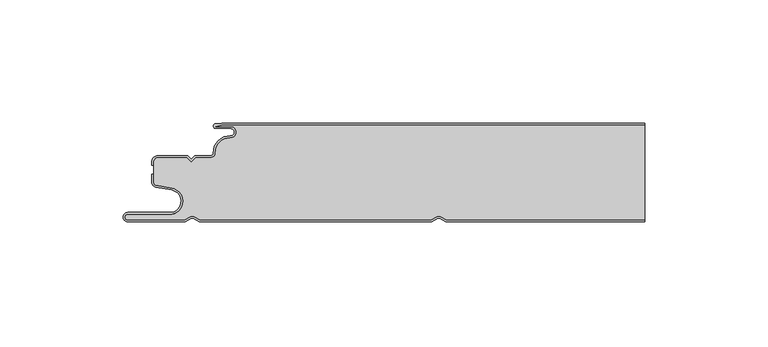
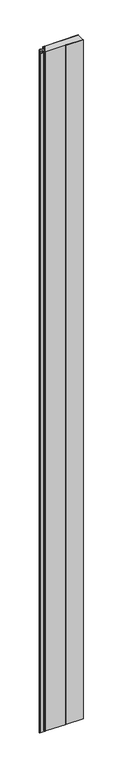
"""IFC4 building model written with IfcOpenShell, lengths in millimetres: plate geometry."""

from ifc_helpers import new_model, si_unit, point, frame, frame_2d, origin, origin_with_axes, place, context, project, spatial, polyline, circle_curve, trimmed, segment, composite_curve, outline, extrude, source, transform, mapped, element, save
from ifc_brep_helpers import plane_surface, cylinder_surface, revolved_surface, advanced_brep


def plate_d9d1bc08(model_context):
    return source(origin(), model_context, "Body", "SolidModel", [
        advanced_brep(
        [(-71.6637731, -0.8, 3500.0), (-74.0000003, -1.3234618, 3500.0), (-68.0000003, -1.3234618, 3500.0), (-68.1134423, -5.9206625, 3500.0), (-74.1919837, -12.028303, 3500.0), (-76.0000003, -13.9234618, 3500.0), (-82.1686293, -13.9234618, 3500.0), (-84.0000002, -15.7548327, 3500.0), (-85.831371, -13.9234618, 3500.0), (-97.4, -13.9234618, 3500.0), (-99.2, -15.7234618, 3500.0), (-99.2, -24.0038437, 3500.0), (-98.2083778, -25.185613, 3500.0), (-91.7622998, -26.3222305, 3500.0), (-92.7, -37.0401924, 3500.0), (-109.7, -37.0401924, 3500.0), (-109.7, -39.2401924, 3500.0), (-86.6751286, -39.2401924, 3500.0), (-84.45, -37.9555137, 3500.0), (-82.7606357, -37.9494241, 3500.0), (-80.4557934, -39.2, 3500.0), (13.3944866, -39.2, 3500.0), (15.55, -37.9555137, 3500.0), (17.2393643, -37.9494241, 3500.0), (19.5442066, -39.2, 3500.0), (100.0, -39.2, 3500.0), (100.0, -0.8, 3500.0), (19.5442066, -39.2, 0.0), (17.2393643, -37.9494241, 0.0), (15.55, -37.9555137, 0.0), (13.3944866, -39.2, 0.0), (-80.4557934, -39.2, 0.0), (-82.7606357, -37.9494241, 0.0), (-84.45, -37.9555137, 0.0), (-86.6751286, -39.2401924, 0.0), (-109.7, -39.2401924, 0.0), (-109.7, -37.0401924, 0.0), (-92.7, -37.0401924, 0.0), (-91.7622998, -26.3222305, 0.0), (-98.2083778, -25.185613, 0.0), (-99.2, -24.0038437, 0.0), (-99.2, -15.7234618, 0.0), (-97.4, -13.9234618, 0.0), (-85.831371, -13.9234618, 0.0), (-84.0000002, -15.7548327, 0.0), (-82.1686293, -13.9234618, 0.0), (-76.0000003, -13.9234618, 0.0), (-74.2024882, -12.0288559, 0.0), (-68.1139291, -5.930521, 0.0), (-68.0000003, -1.3234618, 0.0), (-74.0000003, -1.3234618, 0.0), (-71.6637731, -0.8, 0.0), (100.0, -0.8, 0.0), (100.0, -39.2, 0.0)],
        [
            (0, 1),
            (1, 2),
            (2, 3, circle_curve(frame((-68.0000003, -3.6234618, 3500.0), z_axis=(0.0, 0.0, -1.0), x_axis=(1.0, 0.0, 0.0)), 2.3)),
            (3, 4, circle_curve(frame((-68.4000003, -11.7234618, 3500.0), z_axis=(0.0, 0.0, 1.0), x_axis=(1.0, 0.0, 0.0)), 5.8)),
            (4, 5, circle_curve(frame((-76.0000003, -12.1234618, 3500.0), z_axis=(0.0, 0.0, -1.0), x_axis=(1.0, 0.0, 0.0)), 1.8)),
            (5, 6),
            (6, 7),
            (7, 8),
            (8, 9),
            (9, 10, circle_curve(frame((-97.4, -15.7234618, 3500.0), z_axis=(0.0, 0.0, 1.0), x_axis=(1.0, 0.0, 0.0)), 1.8)),
            (10, 11),
            (11, 12, circle_curve(frame((-98.0, -24.0038437, 3500.0), z_axis=(0.0, 0.0, 1.0), x_axis=(1.0, 0.0, 0.0)), 1.2)),
            (12, 13),
            (13, 14, circle_curve(frame((-92.7, -31.6401924, 3500.0), z_axis=(0.0, 0.0, -1.0), x_axis=(1.0, 0.0, 0.0)), 5.4)),
            (14, 15),
            (15, 16, circle_curve(frame((-109.7, -38.1401924, 3500.0), z_axis=(0.0, 0.0, 1.0), x_axis=(1.0, 0.0, 0.0)), 1.1)),
            (16, 17),
            (17, 18),
            (18, 19, circle_curve(frame((-83.6, -39.4277569, 3500.0), z_axis=(0.0, 0.0, -1.0), x_axis=(1.0, 0.0, 0.0)), 1.7)),
            (19, 20),
            (20, 21),
            (21, 22),
            (22, 23, circle_curve(frame((16.4, -39.4277569, 3500.0), z_axis=(0.0, 0.0, -1.0), x_axis=(1.0, 0.0, 0.0)), 1.7)),
            (23, 24),
            (24, 25),
            (25, 26),
            (26, 0),
            (27, 28),
            (28, 29, circle_curve(frame((16.4, -39.4277569, 0.0), z_axis=(0.0, 0.0, 1.0), x_axis=(1.0, 0.0, 0.0)), 1.7)),
            (29, 30),
            (30, 31),
            (31, 32),
            (32, 33, circle_curve(frame((-83.6, -39.4277569, 0.0), z_axis=(0.0, 0.0, 1.0), x_axis=(1.0, 0.0, 0.0)), 1.7)),
            (33, 34),
            (34, 35),
            (35, 36, circle_curve(frame((-109.7, -38.1401924, 0.0), z_axis=(0.0, 0.0, -1.0), x_axis=(1.0, 0.0, 0.0)), 1.1)),
            (36, 37),
            (37, 38, circle_curve(frame((-92.7, -31.6401924, 0.0), z_axis=(0.0, 0.0, 1.0), x_axis=(1.0, 0.0, 0.0)), 5.4)),
            (38, 39),
            (39, 40, circle_curve(frame((-98.0, -24.0038437, 0.0), z_axis=(0.0, 0.0, -1.0), x_axis=(1.0, 0.0, 0.0)), 1.2)),
            (40, 41),
            (41, 42, circle_curve(frame((-97.4, -15.7234618, 0.0), z_axis=(0.0, 0.0, -1.0), x_axis=(1.0, 0.0, 0.0)), 1.8)),
            (42, 43),
            (43, 44),
            (44, 45),
            (45, 46),
            (46, 47, circle_curve(frame((-76.0000003, -12.1234618, 0.0), z_axis=(0.0, 0.0, 1.0), x_axis=(1.0, 0.0, 0.0)), 1.8)),
            (47, 48, circle_curve(frame((-68.4000003, -11.7234618, 0.0), z_axis=(0.0, 0.0, -1.0), x_axis=(1.0, 0.0, 0.0)), 5.8)),
            (48, 49, circle_curve(frame((-68.0000003, -3.6234618, 0.0), z_axis=(0.0, 0.0, 1.0), x_axis=(1.0, 0.0, 0.0)), 2.3)),
            (49, 50),
            (50, 51),
            (51, 52),
            (52, 53),
            (53, 27),
            (51, 0),
            (26, 52),
            (50, 1),
            (49, 2),
            (48, 3),
            (47, 4),
            (46, 5),
            (45, 6),
            (44, 7),
            (43, 8),
            (42, 9),
            (41, 10),
            (40, 11),
            (39, 12),
            (38, 13),
            (37, 14),
            (36, 15),
            (35, 16),
            (34, 17),
            (33, 18),
            (32, 19),
            (31, 20),
            (30, 21),
            (29, 22),
            (28, 23),
            (27, 24),
            (53, 25),
        ],
        [
            plane_surface(frame((-100.0, -40.0, 3500.0), z_axis=(0.0, 0.0, 1.0), x_axis=(0.0, 1.0, 0.0))),
            plane_surface(frame((-100.0, -40.0, 0.0), z_axis=(0.0, 0.0, -1.0), x_axis=(0.0, 1.0, 0.0))),
            plane_surface(frame((922.5460884, -0.8, 3500.0), z_axis=(0.0, 1.0, 0.0), x_axis=(0.0, 0.0, -1.0))),
            plane_surface(frame((-71.6637731, -0.8, 3500.0), z_axis=(-0.2186417328283014, 0.9758052022129405, 0.0), x_axis=(0.0, 0.0, -1.0))),
            plane_surface(frame((-74.0000003, -1.3234618, 3500.0), z_axis=(0.0, -1.0, 0.0), x_axis=(0.0, 0.0, -1.0))),
            revolved_surface(polyline([(-65.7000003, -3.6234618, 0.0), (-65.7000003, -3.6234618, 3500.0)]), (-68.0000003, -3.6234618, 3500.0), (0.0, 0.0, -1.0)),
            cylinder_surface(frame((-68.4000003, -11.7234618, 3500.0), z_axis=(0.0, 0.0, 1.0), x_axis=(1.0, 0.0, 0.0)), 5.8),
            revolved_surface(polyline([(-74.2000003, -12.1234618, 0.0), (-74.2000003, -12.1234618, 3500.0)]), (-76.0000003, -12.1234618, 3500.0), (0.0, 0.0, -1.0)),
            plane_surface(frame((-76.0000003, -13.9234618, 3500.0), z_axis=(0.0, 1.0, 0.0), x_axis=(0.0, 0.0, -1.0))),
            plane_surface(frame((-82.1686293, -13.9234618, 3500.0), z_axis=(-0.707106781023168, 0.7071067813499271, 0.0), x_axis=(0.0, 0.0, -1.0))),
            plane_surface(frame((-84.0000002, -15.7548327, 3500.0), z_axis=(0.7071067813499271, 0.7071067810231679, 0.0), x_axis=(0.0, 0.0, -1.0))),
            plane_surface(frame((-85.831371, -13.9234618, 3500.0), z_axis=(0.0, 1.0, 0.0), x_axis=(0.0, 0.0, -1.0))),
            cylinder_surface(frame((-97.4, -15.7234618, 3500.0), z_axis=(0.0, 0.0, 1.0), x_axis=(1.0, 0.0, 0.0)), 1.8),
            plane_surface(frame((-99.2, -17.1226667, 3500.0), z_axis=(-1.0, 0.0, 0.0), x_axis=(0.0, 0.0, -1.0))),
            cylinder_surface(frame((-98.0, -24.0038437, 3500.0), z_axis=(0.0, 0.0, 1.0), x_axis=(1.0, 0.0, 0.0)), 1.2),
            plane_surface(frame((-98.2083778, -25.185613, 3500.0), z_axis=(-0.1736481776669248, -0.984807753012209, 0.0), x_axis=(0.0, 0.0, -1.0))),
            revolved_surface(polyline([(-87.3, -31.6401924, 0.0), (-87.3, -31.6401924, 3500.0)]), (-92.7, -31.6401924, 3500.0), (0.0, 0.0, -1.0)),
            plane_surface(frame((-92.7, -37.0401924, 3500.0), z_axis=(0.0, 1.0, 0.0), x_axis=(0.0, 0.0, -1.0))),
            cylinder_surface(frame((-109.7, -38.1401924, 3500.0), z_axis=(0.0, 0.0, 1.0), x_axis=(1.0, 0.0, 0.0)), 1.1),
            plane_surface(frame((-109.7, -39.2401924, 3500.0), z_axis=(0.0, -1.0, 0.0), x_axis=(0.0, 0.0, -1.0))),
            plane_surface(frame((-86.6751286, -39.2401924, 3500.0), z_axis=(0.5000000299311667, -0.8660253865036709, 0.0), x_axis=(0.0, 0.0, -1.0))),
            revolved_surface(polyline([(-81.89999999999999, -39.4277569, 0.0), (-81.89999999999999, -39.4277569, 3500.0)]), (-83.6, -39.4277569, 3500.0), (0.0, 0.0, -1.0)),
            plane_surface(frame((-82.7606357, -37.9494241, 3500.0), z_axis=(-0.47690797328217005, -0.878953232555574, 0.0), x_axis=(0.0, 0.0, -1.0))),
            plane_surface(frame((-80.4557934, -39.2, 3500.0), z_axis=(0.0, -1.0, 0.0), x_axis=(0.0, 0.0, -1.0))),
            plane_surface(frame((13.3944866, -39.2, 3500.0), z_axis=(0.5000000299307237, -0.8660253865039267, 0.0), x_axis=(0.0, 0.0, -1.0))),
            revolved_surface(polyline([(18.099999999999998, -39.4277569, 0.0), (18.099999999999998, -39.4277569, 3500.0)]), (16.4, -39.4277569, 3500.0), (0.0, 0.0, -1.0)),
            plane_surface(frame((17.2393643, -37.9494241, 3500.0), z_axis=(-0.4769079732821666, -0.8789532325555759, 0.0), x_axis=(0.0, 0.0, -1.0))),
            plane_surface(frame((19.5442066, -39.2, 3500.0), z_axis=(0.0, -1.0, 0.0), x_axis=(0.0, 0.0, -1.0))),
            plane_surface(frame((100.0, 0.0, 3500.0), z_axis=(1.0, 0.0, 0.0), x_axis=(0.0, 0.0, -1.0))),
        ],
        [
            (0, [[1, 2, 3, 4, 5, 6, 7, 8, 9, 10, 11, 12, 13, 14, 15, 16, 17, 18, 19, 20, 21, 22, 23, 24, 25, 26, 27]]),
            (1, [[28, 29, 30, 31, 32, 33, 34, 35, 36, 37, 38, 39, 40, 41, 42, 43, 44, 45, 46, 47, 48, 49, 50, 51, 52, 53, 54]]),
            (2, [[55, -27, 56, -52]]),
            (3, [[-1, -55, -51, 57]]),
            (4, [[-2, -57, -50, 58]]),
            (5, [[-3, -58, -49, 59]]),
            (6, [[-4, -59, -48, 60]]),
            (7, [[-5, -60, -47, 61]]),
            (8, [[-6, -61, -46, 62]]),
            (9, [[-7, -62, -45, 63]]),
            (10, [[-8, -63, -44, 64]]),
            (11, [[-9, -64, -43, 65]]),
            (12, [[-10, -65, -42, 66]]),
            (13, [[-11, -66, -41, 67]]),
            (14, [[-12, -67, -40, 68]]),
            (15, [[-13, -68, -39, 69]]),
            (16, [[-14, -69, -38, 70]]),
            (17, [[-15, -70, -37, 71]]),
            (18, [[-16, -71, -36, 72]]),
            (19, [[-17, -72, -35, 73]]),
            (20, [[-18, -73, -34, 74]]),
            (21, [[-19, -74, -33, 75]]),
            (22, [[-20, -75, -32, 76]]),
            (23, [[-21, -76, -31, 77]]),
            (24, [[-22, -77, -30, 78]]),
            (25, [[-23, -78, -29, 79]]),
            (26, [[-24, -79, -28, 80]]),
            (27, [[-80, -54, 81, -25]]),
            (28, [[-26, -81, -53, -56]]),
        ],
    ),
        extrude(outline(composite_curve([segment(trimmed(circle_curve(frame_2d((-98.0, -23.9636514)), 2.0), [point((-98.3472964, -25.9332669))], [point((-100.0, -23.9636514))], False, "CARTESIAN"), True, "CONTINUOUS"), segment(polyline([(-100.0, -23.9636514), (-100.0, -20.6), (-99.2, -20.6), (-99.2, -23.9636514)]), True, "CONTINUOUS"), segment(trimmed(circle_curve(frame_2d((-98.0, -23.9636514)), 1.2), [point((-99.2, -23.9636514))], [point((-98.2083778, -25.1454207))], True, "CARTESIAN"), True, "CONTINUOUS"), segment(polyline([(-98.2083778, -25.1454207), (-91.7622998, -26.2820381)]), True, "CONTINUOUS"), segment(trimmed(circle_curve(frame_2d((-92.7, -31.6)), 5.4), [point((-91.7622998, -26.2820381))], [point((-92.7, -37.0))], False, "CARTESIAN"), True, "CONTINUOUS"), segment(polyline([(-92.7, -37.0), (-109.7, -37.0)]), True, "CONTINUOUS"), segment(trimmed(circle_curve(frame_2d((-109.7, -38.1)), 1.1), [point((-109.7, -37.0))], [point((-109.7, -39.2))], True, "CARTESIAN"), True, "CONTINUOUS"), segment(polyline([(-109.7, -39.2), (-86.6751286, -39.2), (-84.45, -37.9153213)]), True, "CONTINUOUS"), segment(trimmed(circle_curve(frame_2d((-83.6, -39.3875645)), 1.7), [point((-84.45, -37.9153213))], [point((-82.7606357, -37.9092318))], False, "CARTESIAN"), True, "CONTINUOUS"), segment(polyline([(-82.7606357, -37.9092318), (-80.4557934, -39.1598076), (13.3944866, -39.1598076), (15.5499999, -37.9153213)]), True, "CONTINUOUS"), segment(trimmed(circle_curve(frame_2d((16.4, -39.3875645)), 1.7), [point((15.5499999, -37.9153213))], [point((17.2393643, -37.9092318))], False, "CARTESIAN"), True, "CONTINUOUS"), segment(polyline([(17.2393643, -37.9092318), (19.5442066, -39.1598076), (100.0, -39.1598076), (100.0, -39.9598076), (19.341154, -39.9598076), (16.85, -38.6081416)]), True, "CONTINUOUS"), segment(trimmed(circle_curve(frame_2d((16.4, -39.3875645)), 0.9), [point((16.85, -38.6081416))], [point((15.95, -38.6081416))], True, "CARTESIAN"), True, "CONTINUOUS"), segment(polyline([(15.95, -38.6081416), (13.608846, -39.9598076), (-80.658846, -39.9598076), (-83.15, -38.6081416)]), True, "CONTINUOUS"), segment(trimmed(circle_curve(frame_2d((-83.6, -39.3875645)), 0.9), [point((-83.15, -38.6081416))], [point((-84.05, -38.6081416))], True, "CARTESIAN"), True, "CONTINUOUS"), segment(polyline([(-84.05, -38.6081416), (-86.4607692, -40.0), (-109.7, -40.0)]), True, "CONTINUOUS"), segment(trimmed(circle_curve(frame_2d((-109.7, -38.1)), 1.9), [point((-109.7, -40.0))], [point((-109.7, -36.2))], False, "CARTESIAN"), True, "CONTINUOUS"), segment(polyline([(-109.7, -36.2), (-92.7, -36.2)]), True, "CONTINUOUS"), segment(trimmed(circle_curve(frame_2d((-92.7, -31.6)), 4.6), [point((-92.7, -36.2))], [point((-91.9012184, -27.0698843))], True, "CARTESIAN"), True, "CONTINUOUS"), segment(polyline([(-91.9012184, -27.0698843), (-98.3472964, -25.9332669)]), True, "CONTINUOUS")], self_intersect=False)), origin_with_axes(), (0.0, 0.0, 1.0), 3500.0),
        advanced_brep(
        [(-71.6850913, 0.0, 3500.0), (-74.0000003, -0.1234618, 3500.0), (-74.0000003, -2.1234618, 3500.0), (-68.0000003, -2.1234618, 3500.0), (-68.0739842, -5.1216362, 3500.0), (-74.990878, -12.0703501, 3500.0), (-76.0000003, -13.1234618, 3500.0), (-82.5000001, -13.1234618, 3500.0), (-84.0000002, -14.6234618, 3500.0), (-85.5000001, -13.1234618, 3500.0), (-97.4, -13.1234618, 3500.0), (-100.0, -15.7234618, 3500.0), (-100.0, -17.1226667, 3500.0), (-99.2, -17.1226667, 3500.0), (-99.2, -15.7234618, 3500.0), (-97.4, -13.9234618, 3500.0), (-85.831371, -13.9234618, 3500.0), (-84.0000002, -15.7548327, 3500.0), (-82.1686293, -13.9234618, 3500.0), (-76.0000003, -13.9234618, 3500.0), (-74.2024882, -12.0288559, 3500.0), (-68.1139291, -5.930521, 3500.0), (-68.0000003, -1.3234618, 3500.0), (-74.0000003, -1.3234618, 3500.0), (-71.6637731, -0.8, 3500.0), (100.0, -0.8, 3500.0), (100.0, 0.0, 3500.0), (-71.6637731, -0.8, 0.0), (-74.0000003, -1.3234618, 0.0), (-68.0000003, -1.3234618, 0.0), (-68.1134423, -5.9206625, 0.0), (-74.1919837, -12.028303, 0.0), (-76.0000003, -13.9234618, 0.0), (-82.1686293, -13.9234618, 0.0), (-84.0000002, -15.7548327, 0.0), (-85.831371, -13.9234618, 0.0), (-97.4, -13.9234618, 0.0), (-99.2, -15.7234618, 0.0), (-99.2, -17.1226667, 0.0), (-100.0, -17.1226667, 0.0), (-100.0, -15.7234618, 0.0), (-97.4, -13.1234618, 0.0), (-85.5000001, -13.1234618, 0.0), (-84.0000002, -14.6234618, 0.0), (-82.5000001, -13.1234618, 0.0), (-76.0000003, -13.1234618, 0.0), (-75.0013825, -12.070903, 0.0), (-68.0744711, -5.1314947, 0.0), (-68.0000003, -2.1234618, 0.0), (-74.0000003, -2.1234618, 0.0), (-74.0000003, -0.1234618, 0.0), (-71.6850913, 0.0, 0.0), (100.0, 0.0, 0.0), (100.0, -0.8, 0.0)],
        [
            (0, 1),
            (1, 2, circle_curve(frame((-74.0000003, -1.1234618, 3500.0), z_axis=(0.0, 0.0, 1.0), x_axis=(1.0, 0.0, 0.0)), 1.0)),
            (2, 3),
            (3, 4, circle_curve(frame((-68.0000003, -3.6234618, 3500.0), z_axis=(0.0, 0.0, -1.0), x_axis=(1.0, 0.0, 0.0)), 1.5)),
            (4, 5, circle_curve(frame((-68.4000003, -11.7234618, 3500.0), z_axis=(0.0, 0.0, 1.0), x_axis=(1.0, 0.0, 0.0)), 6.6)),
            (5, 6, circle_curve(frame((-76.0000003, -12.1234618, 3500.0), z_axis=(0.0, 0.0, -1.0), x_axis=(1.0, 0.0, 0.0)), 1.0)),
            (6, 7),
            (7, 8),
            (8, 9),
            (9, 10),
            (10, 11, circle_curve(frame((-97.4, -15.7234618, 3500.0), z_axis=(0.0, 0.0, 1.0), x_axis=(1.0, 0.0, 0.0)), 2.6)),
            (11, 12),
            (12, 13),
            (13, 14),
            (14, 15, circle_curve(frame((-97.4, -15.7234618, 3500.0), z_axis=(0.0, 0.0, -1.0), x_axis=(1.0, 0.0, 0.0)), 1.8)),
            (15, 16),
            (16, 17),
            (17, 18),
            (18, 19),
            (19, 20, circle_curve(frame((-76.0000003, -12.1234618, 3500.0), z_axis=(0.0, 0.0, 1.0), x_axis=(1.0, 0.0, 0.0)), 1.8)),
            (20, 21, circle_curve(frame((-68.4000003, -11.7234618, 3500.0), z_axis=(0.0, 0.0, -1.0), x_axis=(1.0, 0.0, 0.0)), 5.8)),
            (21, 22, circle_curve(frame((-68.0000003, -3.6234618, 3500.0), z_axis=(0.0, 0.0, 1.0), x_axis=(1.0, 0.0, 0.0)), 2.3)),
            (22, 23),
            (23, 24),
            (24, 25),
            (25, 26),
            (26, 0),
            (27, 28),
            (28, 29),
            (29, 30, circle_curve(frame((-68.0000003, -3.6234618, 0.0), z_axis=(0.0, 0.0, -1.0), x_axis=(1.0, 0.0, 0.0)), 2.3)),
            (30, 31, circle_curve(frame((-68.4000003, -11.7234618, 0.0), z_axis=(0.0, 0.0, 1.0), x_axis=(1.0, 0.0, 0.0)), 5.8)),
            (31, 32, circle_curve(frame((-76.0000003, -12.1234618, 0.0), z_axis=(0.0, 0.0, -1.0), x_axis=(1.0, 0.0, 0.0)), 1.8)),
            (32, 33),
            (33, 34),
            (34, 35),
            (35, 36),
            (36, 37, circle_curve(frame((-97.4, -15.7234618, 0.0), z_axis=(0.0, 0.0, 1.0), x_axis=(1.0, 0.0, 0.0)), 1.8)),
            (37, 38),
            (38, 39),
            (39, 40),
            (40, 41, circle_curve(frame((-97.4, -15.7234618, 0.0), z_axis=(0.0, 0.0, -1.0), x_axis=(1.0, 0.0, 0.0)), 2.6)),
            (41, 42),
            (42, 43),
            (43, 44),
            (44, 45),
            (45, 46, circle_curve(frame((-76.0000003, -12.1234618, 0.0), z_axis=(0.0, 0.0, 1.0), x_axis=(1.0, 0.0, 0.0)), 1.0)),
            (46, 47, circle_curve(frame((-68.4000003, -11.7234618, 0.0), z_axis=(0.0, 0.0, -1.0), x_axis=(1.0, 0.0, 0.0)), 6.6)),
            (47, 48, circle_curve(frame((-68.0000003, -3.6234618, 0.0), z_axis=(0.0, 0.0, 1.0), x_axis=(1.0, 0.0, 0.0)), 1.5)),
            (48, 49),
            (49, 50, circle_curve(frame((-74.0000003, -1.1234618, 0.0), z_axis=(0.0, 0.0, -1.0), x_axis=(1.0, 0.0, 0.0)), 1.0)),
            (50, 51),
            (51, 52),
            (52, 53),
            (53, 27),
            (51, 0),
            (26, 52),
            (50, 1),
            (49, 2),
            (48, 3),
            (47, 4),
            (46, 5),
            (45, 6),
            (44, 7),
            (43, 8),
            (42, 9),
            (41, 10),
            (40, 11),
            (39, 12),
            (38, 13),
            (37, 14),
            (36, 15),
            (35, 16),
            (34, 17),
            (33, 18),
            (32, 19),
            (31, 20),
            (30, 21),
            (29, 22),
            (28, 23),
            (27, 24),
            (53, 25),
        ],
        [
            plane_surface(frame((-100.0, 0.0, 3500.0), z_axis=(0.0, 0.0, 1.0), x_axis=(0.0, 1.0, 0.0))),
            plane_surface(frame((-100.0, 0.0, 0.0), z_axis=(0.0, 0.0, -1.0), x_axis=(0.0, 1.0, 0.0))),
            plane_surface(frame((922.5460884, 0.0, 3500.0), z_axis=(0.0, 1.0, 0.0), x_axis=(0.0, 0.0, -1.0))),
            plane_surface(frame((-71.6850913, 0.0, 3500.0), z_axis=(-0.053257642916100786, 0.9985808046778293, 0.0), x_axis=(0.0, 0.0, -1.0))),
            cylinder_surface(frame((-74.0000003, -1.1234618, 3500.0), z_axis=(0.0, 0.0, 1.0), x_axis=(1.0, 0.0, 0.0)), 1.0),
            plane_surface(frame((-74.0000003, -2.1234618, 3500.0), z_axis=(0.0, -1.0, 0.0), x_axis=(0.0, 0.0, -1.0))),
            revolved_surface(polyline([(-66.5000003, -3.6234618, 0.0), (-66.5000003, -3.6234618, 3500.0)]), (-68.0000003, -3.6234618, 3500.0), (0.0, 0.0, -1.0)),
            cylinder_surface(frame((-68.4000003, -11.7234618, 3500.0), z_axis=(0.0, 0.0, 1.0), x_axis=(1.0, 0.0, 0.0)), 6.6),
            revolved_surface(polyline([(-75.0000003, -12.1234618, 0.0), (-75.0000003, -12.1234618, 3500.0)]), (-76.0000003, -12.1234618, 3500.0), (0.0, 0.0, -1.0)),
            plane_surface(frame((-76.0000003, -13.1234618, 3500.0), z_axis=(0.0, 1.0, 0.0), x_axis=(0.0, 0.0, -1.0))),
            plane_surface(frame((-82.5000001, -13.1234618, 3500.0), z_axis=(-0.7071067810229229, 0.7071067813501721, 0.0), x_axis=(0.0, 0.0, -1.0))),
            plane_surface(frame((-84.0000002, -14.6234618, 3500.0), z_axis=(0.7071067813500019, 0.7071067810230931, 0.0), x_axis=(0.0, 0.0, -1.0))),
            plane_surface(frame((-85.5000001, -13.1234618, 3500.0), z_axis=(0.0, 1.0, 0.0), x_axis=(0.0, 0.0, -1.0))),
            cylinder_surface(frame((-97.4, -15.7234618, 3500.0), z_axis=(0.0, 0.0, 1.0), x_axis=(1.0, 0.0, 0.0)), 2.6),
            plane_surface(frame((-100.0, -15.7234618, 3500.0), z_axis=(-1.0, 0.0, 0.0), x_axis=(0.0, 0.0, -1.0))),
            plane_surface(frame((-100.0, -17.1226667, 3500.0), z_axis=(0.0, -1.0, 0.0), x_axis=(0.0, 0.0, -1.0))),
            plane_surface(frame((-99.2, -17.1226667, 3500.0), z_axis=(1.0, 0.0, 0.0), x_axis=(0.0, 0.0, -1.0))),
            revolved_surface(polyline([(-95.60000000000001, -15.7234618, 0.0), (-95.60000000000001, -15.7234618, 3500.0)]), (-97.4, -15.7234618, 3500.0), (0.0, 0.0, -1.0)),
            plane_surface(frame((-97.4, -13.9234618, 3500.0), z_axis=(0.0, -1.0, 0.0), x_axis=(0.0, 0.0, -1.0))),
            plane_surface(frame((-85.831371, -13.9234618, 3500.0), z_axis=(-0.7071067813500018, -0.7071067810230932, 0.0), x_axis=(0.0, 0.0, -1.0))),
            plane_surface(frame((-84.0000002, -15.7548327, 3500.0), z_axis=(0.7071067810229222, -0.7071067813501728, 0.0), x_axis=(0.0, 0.0, -1.0))),
            plane_surface(frame((-82.1686293, -13.9234618, 3500.0), z_axis=(0.0, -1.0, 0.0), x_axis=(0.0, 0.0, -1.0))),
            cylinder_surface(frame((-76.0000003, -12.1234618, 3500.0), z_axis=(0.0, 0.0, 1.0), x_axis=(1.0, 0.0, 0.0)), 1.8),
            revolved_surface(polyline([(-62.600000300000005, -11.7234618, 0.0), (-62.600000300000005, -11.7234618, 3500.0)]), (-68.4000003, -11.7234618, 3500.0), (0.0, 0.0, -1.0)),
            cylinder_surface(frame((-68.0000003, -3.6234618, 3500.0), z_axis=(0.0, 0.0, 1.0), x_axis=(1.0, 0.0, 0.0)), 2.3),
            plane_surface(frame((-68.0000003, -1.3234618, 3500.0), z_axis=(0.0, 1.0, 0.0), x_axis=(0.0, 0.0, -1.0))),
            plane_surface(frame((-74.0000003, -1.3234618, 3500.0), z_axis=(0.21864173282829105, -0.9758052022129429, 0.0), x_axis=(0.0, 0.0, -1.0))),
            plane_surface(frame((-71.6637731, -0.8, 3500.0), z_axis=(0.0, -1.0, 0.0), x_axis=(0.0, 0.0, -1.0))),
            plane_surface(frame((100.0, 0.0, 3500.0), z_axis=(1.0, 0.0, 0.0), x_axis=(0.0, 0.0, -1.0))),
        ],
        [
            (0, [[1, 2, 3, 4, 5, 6, 7, 8, 9, 10, 11, 12, 13, 14, 15, 16, 17, 18, 19, 20, 21, 22, 23, 24, 25, 26, 27]]),
            (1, [[28, 29, 30, 31, 32, 33, 34, 35, 36, 37, 38, 39, 40, 41, 42, 43, 44, 45, 46, 47, 48, 49, 50, 51, 52, 53, 54]]),
            (2, [[55, -27, 56, -52]]),
            (3, [[-1, -55, -51, 57]]),
            (4, [[-2, -57, -50, 58]]),
            (5, [[-3, -58, -49, 59]]),
            (6, [[-4, -59, -48, 60]]),
            (7, [[-5, -60, -47, 61]]),
            (8, [[-6, -61, -46, 62]]),
            (9, [[-7, -62, -45, 63]]),
            (10, [[-8, -63, -44, 64]]),
            (11, [[-9, -64, -43, 65]]),
            (12, [[-10, -65, -42, 66]]),
            (13, [[-11, -66, -41, 67]]),
            (14, [[-12, -67, -40, 68]]),
            (15, [[-13, -68, -39, 69]]),
            (16, [[-14, -69, -38, 70]]),
            (17, [[-15, -70, -37, 71]]),
            (18, [[-16, -71, -36, 72]]),
            (19, [[-17, -72, -35, 73]]),
            (20, [[-18, -73, -34, 74]]),
            (21, [[-19, -74, -33, 75]]),
            (22, [[-20, -75, -32, 76]]),
            (23, [[-21, -76, -31, 77]]),
            (24, [[-22, -77, -30, 78]]),
            (25, [[-23, -78, -29, 79]]),
            (26, [[-24, -79, -28, 80]]),
            (27, [[-80, -54, 81, -25]]),
            (28, [[-26, -81, -53, -56]]),
        ],
    ),
    ])


if __name__ == "__main__":
    model = new_model("IFC4")
    model_context = context("Model", 3, world=origin())
    ifc_project = project(units=[si_unit("LENGTHUNIT", "METRE", prefix="MILLI")], contexts=[model_context])
    site = spatial("IfcSite", under=ifc_project)
    building = spatial("IfcBuilding", under=site)
    placement = place(None, origin())
    plate_shape = plate_d9d1bc08(model_context)
    element("IfcPlate", 1, at=placement, inside=building, context=model_context, shape_type="MappedRepresentation", body=[
        mapped(plate_shape, transform((0.0, 0.0, 0.0), x_axis=(1.0, 0.0, 0.0), y_axis=(0.0, 1.0, 0.0), z_axis=(0.0, 0.0, 1.0))),
    ])
    save(model, "model.ifc")
